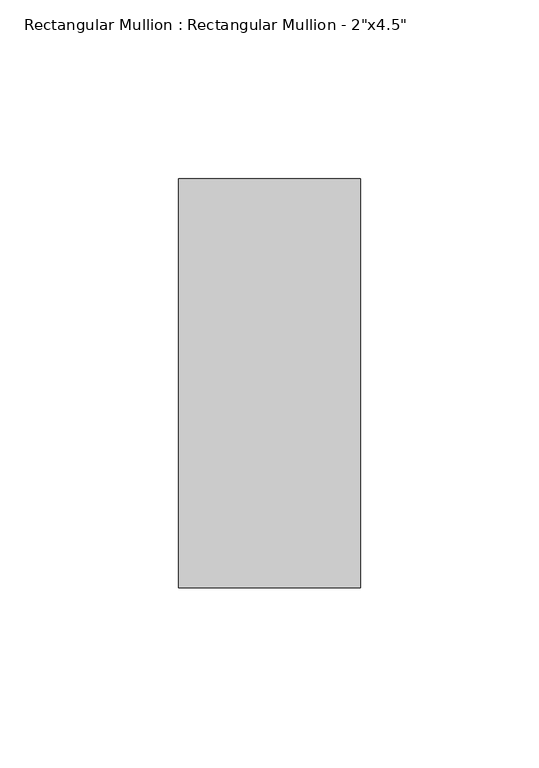
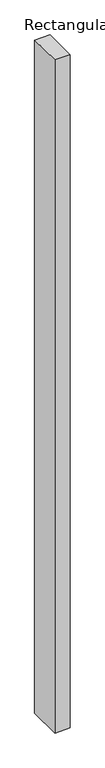
"""IFC4 building model written with IfcOpenShell, lengths in millimetres: member geometry."""

from ifc_helpers import new_model, si_unit, frame, origin, place, context, project, spatial, polyline, outline, extrude, source, transform, mapped, element, save


def member_f4fec230(model_context):
    return source(origin(), model_context, "Body", "SweptSolid", [
        extrude(outline(polyline([(0.0, 57.15), (0.0, -57.15), (-50.8, -57.15), (-50.8, 57.15), (0.0, 57.15)])), frame((0.0, 0.0, -2336.8), z_axis=(0.0, 0.0, 1.0), x_axis=(1.0, 0.0, 0.0)), (0.0, 0.0, 1.0), 2336.8),
    ])


if __name__ == "__main__":
    model = new_model("IFC4")
    model_context = context("Model", 3, world=origin())
    ifc_project = project(units=[si_unit("LENGTHUNIT", "METRE", prefix="MILLI")], contexts=[model_context])
    site = spatial("IfcSite", under=ifc_project)
    building = spatial("IfcBuilding", under=site)
    placement = place(None, origin())
    member_shape = member_f4fec230(model_context)
    element("IfcMember", 1, ObjectType="Rectangular Mullion : Rectangular Mullion - 2\"x4.5\"", at=placement, inside=building, context=model_context, shape_type="MappedRepresentation", body=[
        mapped(member_shape, transform((0.0, 0.0, 0.0), x_axis=(1.0, 0.0, 0.0), y_axis=(0.0, 1.0, 0.0), z_axis=(0.0, 0.0, 1.0))),
    ])
    save(model, "model.ifc")
